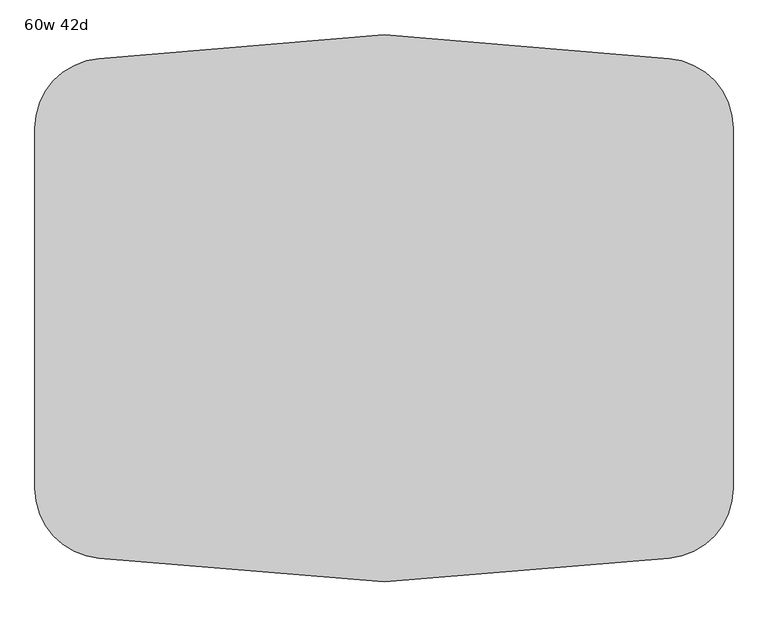
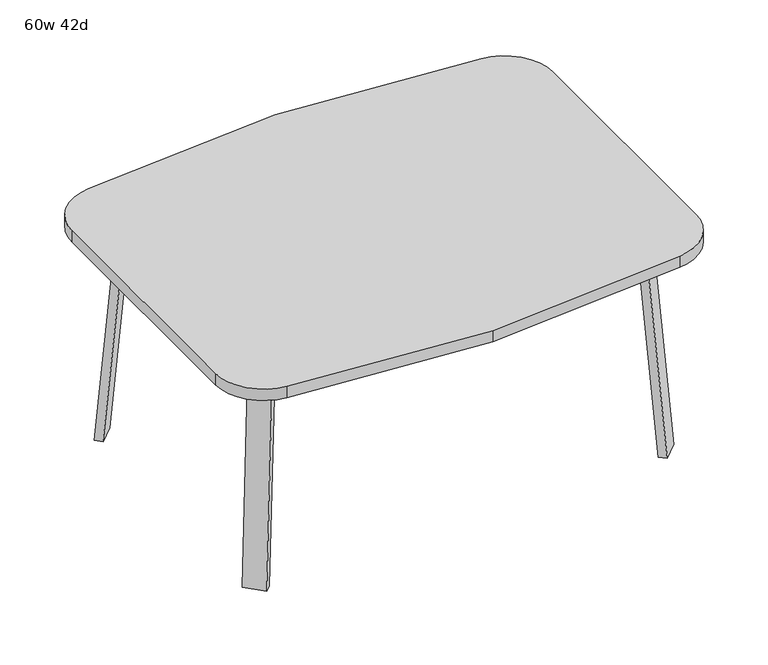
"""IFC4 building model written with IfcOpenShell, lengths in millimetres: furniture geometry, 60w 42d."""

from ifc_helpers import new_model, si_unit, point, frame, frame_2d, origin, place, context, project, spatial, polyline, circle_curve, trimmed, segment, composite_curve, outline, extrude, faceted_brep, source, transform, mapped, element, save


def furniture_60w_42d_fdd06388(model_context):
    return source(origin(), model_context, "Body", "SolidModel", [
        faceted_brep([(453.8753042, -350.2920519, 695.325), (493.3884312, -310.778925, 695.325), (548.5047531, -365.8952469, 695.325), (541.8631053, -372.5368947, 695.325), (480.8160726, -377.2328203, 695.325), (601.1368947, -313.2631053, 695.325), (595.2020849, -319.1979151, 695.325), (540.085763, -264.0815931, 695.325), (579.5988899, -224.5684662, 695.325), (606.5396583, -251.5092346, 695.325), (453.8753042, -350.2920519, 698.5), (480.8160726, -377.2328203, 698.5), (541.8631053, -372.5368947, 698.5), (601.1368947, -313.2631053, 698.5), (606.5396583, -251.5092346, 698.5), (579.5988899, -224.5684662, 698.5), (548.5047531, -365.8952469, 673.1), (595.2020849, -319.1979151, 673.1), (503.6034725, -320.9939663, 673.1), (550.3008043, -274.2966345, 673.1)], [[[0, 1, 2, 3, 4]], [[5, 6, 7, 8, 9]], [[10, 11, 12, 13, 14, 15]], [[4, 11, 10, 0]], [[3, 12, 11, 4]], [[12, 3, 2, 16, 17, 6, 5, 13]], [[9, 14, 13, 5]], [[8, 15, 14, 9]], [[15, 8, 7, 1, 0, 10]], [[2, 1, 18, 16]], [[7, 6, 17, 19]], [[18, 19, 17, 16]], [[1, 7, 19, 18]]]),
        extrude(outline(composite_curve([segment(polyline([(-698.9257667, 0.0), (-704.4601563, 63.2583633), (-679.156811, 65.4721192), (-677.172355, 42.7896831)]), True, "CONTINUOUS"), segment(trimmed(circle_curve(frame_2d((-658.194846, 44.45)), 19.05), [point((-677.172355, 42.7896831))], [point((-658.194846, 25.4))], True, "CARTESIAN"), True, "CONTINUOUS"), segment(polyline([(-658.194846, 25.4), (0.0201778, 25.4), (2.2423899, 0.0), (-698.9257667, 0.0)]), True, "CONTINUOUS")], self_intersect=False)), frame((634.7792647, -455.5706733, 2.2338569), z_axis=(0.7071067811865512, 0.707106781186544, 0.0), x_axis=(0.06162841671622733, -0.06162841671621349, -0.9961946980917454)), (0.0, 0.0, 1.0), 69.85),
        faceted_brep([(453.8753042, 350.2920519, 695.325), (480.8160726, 377.2328203, 695.325), (541.8631053, 372.5368947, 695.325), (548.5047531, 365.8952469, 695.325), (493.3884312, 310.778925, 695.325), (601.1368947, 313.2631053, 695.325), (606.5396583, 251.5092346, 695.325), (579.5988899, 224.5684662, 695.325), (540.085763, 264.0815931, 695.325), (595.2020849, 319.1979151, 695.325), (453.8753042, 350.2920519, 698.5), (579.5988899, 224.5684662, 698.5), (606.5396583, 251.5092346, 698.5), (601.1368947, 313.2631053, 698.5), (541.8631053, 372.5368947, 698.5), (480.8160726, 377.2328203, 698.5), (595.2020849, 319.1979151, 673.1), (548.5047531, 365.8952469, 673.1), (503.6034725, 320.9939663, 673.1), (550.3008043, 274.2966345, 673.1)], [[[0, 1, 2, 3, 4]], [[5, 6, 7, 8, 9]], [[10, 11, 12, 13, 14, 15]], [[1, 0, 10, 15]], [[2, 1, 15, 14]], [[14, 13, 5, 9, 16, 17, 3, 2]], [[6, 5, 13, 12]], [[7, 6, 12, 11]], [[11, 10, 0, 4, 8, 7]], [[3, 17, 18, 4]], [[8, 19, 16, 9]], [[18, 17, 16, 19]], [[4, 18, 19, 8]]]),
        extrude(outline(composite_curve([segment(polyline([(698.9257667, 0.0), (704.4601563, -63.2583633), (679.156811, -65.4721192), (677.172355, -42.7896831)]), True, "CONTINUOUS"), segment(trimmed(circle_curve(frame_2d((658.194846, -44.45)), 19.05), [point((677.172355, -42.7896831))], [point((658.194846, -25.4))], True, "CARTESIAN"), True, "CONTINUOUS"), segment(polyline([(658.194846, -25.4), (-0.0201778, -25.4), (-2.2423899, 0.0), (698.9257667, 0.0)]), True, "CONTINUOUS")], self_intersect=False)), frame((684.1706733, 406.1792647, 2.2338569), z_axis=(-0.7071067811865512, 0.707106781186544, 0.0), x_axis=(-0.06162841671622733, -0.06162841671621349, 0.9961946980917454)), (0.0, 0.0, 1.0), 69.85),
        faceted_brep([(-453.8753042, 350.2920519, 695.325), (-493.3884312, 310.778925, 695.325), (-548.5047531, 365.8952469, 695.325), (-541.8631053, 372.5368947, 695.325), (-480.8160726, 377.2328203, 695.325), (-601.1368947, 313.2631053, 695.325), (-595.2020849, 319.1979151, 695.325), (-540.085763, 264.0815931, 695.325), (-579.5988899, 224.5684662, 695.325), (-606.5396583, 251.5092346, 695.325), (-453.8753042, 350.2920519, 698.5), (-480.8160726, 377.2328203, 698.5), (-541.8631053, 372.5368947, 698.5), (-601.1368947, 313.2631053, 698.5), (-606.5396583, 251.5092346, 698.5), (-579.5988899, 224.5684662, 698.5), (-548.5047531, 365.8952469, 673.1), (-595.2020849, 319.1979151, 673.1), (-503.6034725, 320.9939663, 673.1), (-550.3008043, 274.2966345, 673.1)], [[[0, 1, 2, 3, 4]], [[5, 6, 7, 8, 9]], [[10, 11, 12, 13, 14, 15]], [[4, 11, 10, 0]], [[3, 12, 11, 4]], [[12, 3, 2, 16, 17, 6, 5, 13]], [[9, 14, 13, 5]], [[8, 15, 14, 9]], [[15, 8, 7, 1, 0, 10]], [[2, 1, 18, 16]], [[7, 6, 17, 19]], [[18, 19, 17, 16]], [[1, 7, 19, 18]]]),
        extrude(outline(composite_curve([segment(polyline([(698.9257667, 0.0), (-2.2423899, 0.0), (-0.0201778, 25.4), (658.194846, 25.4)]), True, "CONTINUOUS"), segment(trimmed(circle_curve(frame_2d((658.194846, 44.45)), 19.05), [point((658.194846, 25.4))], [point((677.172355, 42.7896831))], True, "CARTESIAN"), True, "CONTINUOUS"), segment(polyline([(677.172355, 42.7896831), (679.156811, 65.4721192), (704.4601563, 63.2583633), (698.9257667, 0.0)]), True, "CONTINUOUS")], self_intersect=False)), frame((-684.1706733, 406.1792647, 2.2338569), z_axis=(0.7071067811865512, 0.707106781186544, 0.0), x_axis=(0.06162841671622733, -0.06162841671621349, 0.9961946980917454)), (0.0, 0.0, 1.0), 69.85),
        faceted_brep([(-453.8753042, -350.2920519, 695.325), (-480.8160726, -377.2328203, 695.325), (-541.8631053, -372.5368947, 695.325), (-548.5047531, -365.8952469, 695.325), (-493.3884312, -310.778925, 695.325), (-601.1368947, -313.2631053, 695.325), (-606.5396583, -251.5092346, 695.325), (-579.5988899, -224.5684662, 695.325), (-540.085763, -264.0815931, 695.325), (-595.2020849, -319.1979151, 695.325), (-453.8753042, -350.2920519, 698.5), (-579.5988899, -224.5684662, 698.5), (-606.5396583, -251.5092346, 698.5), (-601.1368947, -313.2631053, 698.5), (-541.8631053, -372.5368947, 698.5), (-480.8160726, -377.2328203, 698.5), (-595.2020849, -319.1979151, 673.1), (-548.5047531, -365.8952469, 673.1), (-503.6034725, -320.9939663, 673.1), (-550.3008043, -274.2966345, 673.1)], [[[0, 1, 2, 3, 4]], [[5, 6, 7, 8, 9]], [[10, 11, 12, 13, 14, 15]], [[1, 0, 10, 15]], [[2, 1, 15, 14]], [[14, 13, 5, 9, 16, 17, 3, 2]], [[6, 5, 13, 12]], [[7, 6, 12, 11]], [[11, 10, 0, 4, 8, 7]], [[3, 17, 18, 4]], [[8, 19, 16, 9]], [[18, 17, 16, 19]], [[4, 18, 19, 8]]]),
        extrude(outline(composite_curve([segment(polyline([(-698.9257667, 0.0), (2.2423899, 0.0), (0.0201778, -25.4), (-658.194846, -25.4)]), True, "CONTINUOUS"), segment(trimmed(circle_curve(frame_2d((-658.194846, -44.45)), 19.05), [point((-658.194846, -25.4))], [point((-677.172355, -42.7896831))], True, "CARTESIAN"), True, "CONTINUOUS"), segment(polyline([(-677.172355, -42.7896831), (-679.156811, -65.4721192), (-704.4601563, -63.2583633), (-698.9257667, 0.0)]), True, "CONTINUOUS")], self_intersect=False)), frame((-634.7792647, -455.5706733, 2.2338569), z_axis=(-0.7071067811865512, 0.707106781186544, 0.0), x_axis=(-0.06162841671622733, -0.06162841671621349, -0.9961946980917454)), (0.0, 0.0, 1.0), 69.85),
        extrude(outline(composite_curve([segment(trimmed(circle_curve(frame_2d((-609.6, 393.1717488)), 152.4), [point((-762.0, 393.1717488))], [point((-622.2561311, 545.0453224))], False, "CARTESIAN"), True, "CONTINUOUS"), segment(polyline([(-622.2561311, 545.0453224), (0.0, 596.9), (622.2561311, 545.0453224)]), True, "CONTINUOUS"), segment(trimmed(circle_curve(frame_2d((609.6, 393.1717488)), 152.4), [point((622.2561311, 545.0453224))], [point((762.0, 393.1717488))], False, "CARTESIAN"), True, "CONTINUOUS"), segment(polyline([(762.0, 393.1717488), (762.0, -393.1717488)]), True, "CONTINUOUS"), segment(trimmed(circle_curve(frame_2d((609.6, -393.1717488)), 152.4), [point((762.0, -393.1717488))], [point((622.2561311, -545.0453224))], False, "CARTESIAN"), True, "CONTINUOUS"), segment(polyline([(622.2561311, -545.0453224), (0.0, -596.9), (-622.2561311, -545.0453224)]), True, "CONTINUOUS"), segment(trimmed(circle_curve(frame_2d((-609.6, -393.1717488)), 152.4), [point((-622.2561311, -545.0453224))], [point((-762.0, -393.1717488))], False, "CARTESIAN"), True, "CONTINUOUS"), segment(polyline([(-762.0, -393.1717488), (-762.0, 393.1717488)]), True, "CONTINUOUS")], self_intersect=False)), frame((0.0, 0.0, 698.5), z_axis=(0.0, 0.0, 1.0), x_axis=(1.0, 0.0, 0.0)), (0.0, 0.0, 1.0), 38.1),
    ])


if __name__ == "__main__":
    model = new_model("IFC4")
    model_context = context("Model", 3, world=origin())
    ifc_project = project(units=[si_unit("LENGTHUNIT", "METRE", prefix="MILLI")], contexts=[model_context])
    site = spatial("IfcSite", under=ifc_project)
    building = spatial("IfcBuilding", under=site)
    placement = place(None, origin())
    furniture_60w_42d_shape = furniture_60w_42d_fdd06388(model_context)
    element("IfcFurniture", 1, ObjectType="60w 42d", at=placement, inside=building, context=model_context, shape_type="MappedRepresentation", body=[
        mapped(furniture_60w_42d_shape, transform((0.0, 0.0, 0.0), x_axis=(1.0, 0.0, 0.0), y_axis=(0.0, 1.0, 0.0), z_axis=(0.0, 0.0, 1.0))),
    ])
    save(model, "model.ifc")
